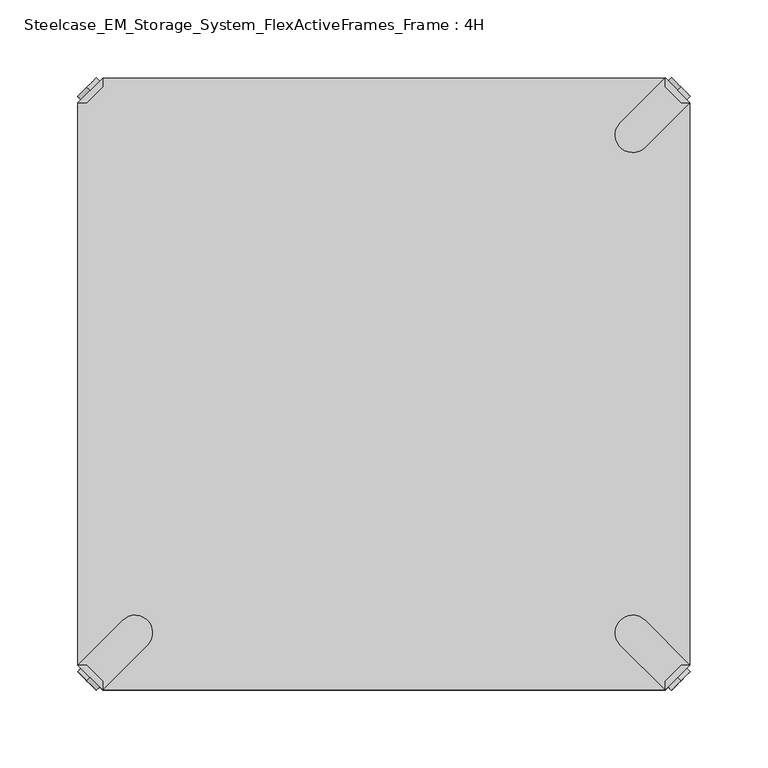
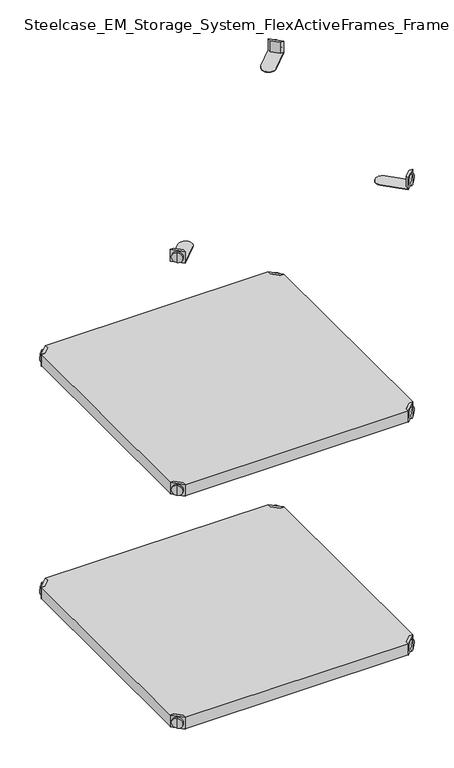
"""IFC4 building model written with IfcOpenShell, lengths in millimetres: furniture geometry, Steelcase_EM_Storage_System_FlexActiveFrames_Frame : 4H."""

from ifc_helpers import new_model, si_unit, frame, origin, place, context, project, spatial, polyline, circle_curve, outline, extrude, source, transform, mapped, element, save
from ifc_brep_helpers import plane_surface, cylinder_surface, advanced_brep


def steelcase_em_storage_system_flexactiveframes_frame_4h_7801c0e6(model_context):
    return source(origin(), model_context, "Body", "SolidModel", [
        advanced_brep(
        [(389.0398449, -10.9601551, 498.5), (389.0398449, -10.9601551, 507.0), (389.0398449, -10.9601551, 515.5), (391.1611652, -8.8388348, 498.5), (391.1611652, -8.8388348, 515.5), (391.1611652, -8.8388348, 507.0)],
        [
            (0, 1),
            (1, 2),
            (2, 0, circle_curve(frame((389.0398449, -10.9601551, 507.0), z_axis=(-0.7071067811865556, -0.7071067811865395, 0.0), x_axis=(0.0, 0.0, 1.0)), 8.5)),
            (0, 2, circle_curve(frame((389.0398449, -10.9601551, 507.0), z_axis=(-0.7071067811865556, -0.7071067811865395, 0.0), x_axis=(0.0, 0.0, 1.0)), 8.5)),
            (3, 0),
            (2, 4),
            (4, 3, circle_curve(frame((391.1611652, -8.8388348, 507.0), z_axis=(-0.7071067811865556, -0.7071067811865395, 0.0), x_axis=(0.0, 0.0, 1.0)), 8.5)),
            (3, 4, circle_curve(frame((391.1611652, -8.8388348, 507.0), z_axis=(-0.7071067811865556, -0.7071067811865395, 0.0), x_axis=(0.0, 0.0, 1.0)), 8.5)),
            (5, 3),
            (4, 5),
        ],
        [
            plane_surface(frame((389.0398449, -10.9601551, 507.0), z_axis=(-0.7071067811865552, -0.7071067811865399, 0.0), x_axis=(0.0, 0.0, 1.0))),
            cylinder_surface(frame((391.1611652, -8.8388348, 507.0), z_axis=(0.7071067811865556, 0.7071067811865395, 0.0), x_axis=(0.0, 0.0, 1.0)), 8.5),
            plane_surface(frame((391.1611652, -8.8388348, 507.0), z_axis=(0.7071067811865552, 0.7071067811865399, 0.0), x_axis=(0.0, 0.0, 1.0))),
        ],
        [
            (0, [[1, 2, 3]]),
            (0, [[-2, -1, 4]]),
            (1, [[5, -3, 6, 7]]),
            (1, [[-6, -4, -5, 8]]),
            (2, [[9, -7, 10]]),
            (2, [[-10, -8, -9]]),
        ],
    ),
        advanced_brep(
        [(381.0796898, -3.0, 517.0), (381.0796898, -8.6568542, 517.0), (391.3431458, -18.9203102, 517.0), (397.0, -18.9203102, 517.0), (397.0, -18.9203102, 498.0), (397.0, -18.9203102, 497.0), (381.0796898, -3.0, 497.0), (381.0796898, -3.0, 498.0), (381.0796898, -8.6568542, 498.0), (391.3431458, -18.9203102, 498.0), (352.2702923, -31.8093975, 498.0), (368.1906025, -47.7297077, 498.0), (368.1906025, -47.7297077, 497.0), (352.2702923, -31.8093975, 497.0)],
        [
            (0, 1),
            (1, 2),
            (2, 3),
            (3, 0),
            (3, 4),
            (4, 5),
            (5, 6),
            (6, 7),
            (7, 0),
            (1, 8),
            (8, 9),
            (9, 2),
            (7, 8),
            (9, 4),
            (7, 10),
            (10, 11, circle_curve(frame((360.2304474, -39.7695526, 498.0), z_axis=(0.0, 0.0, 1.0), x_axis=(-1.0, 0.0, 0.0)), 11.2573593)),
            (11, 4),
            (5, 12),
            (12, 13, circle_curve(frame((360.2304474, -39.7695526, 497.0), z_axis=(0.0, 0.0, -1.0), x_axis=(-1.0, 0.0, 0.0)), 11.2573593)),
            (13, 6),
            (11, 12),
            (10, 13),
        ],
        [
            plane_surface(frame((438.8756299, -60.7959401, 517.0), z_axis=(0.0, 0.0, 1.0000000000000002), x_axis=(0.7071067811865465, -0.7071067811865487, 0.0))),
            plane_surface(frame((381.0796898, -3.0, 517.0), z_axis=(0.7071067811865487, 0.7071067811865465, 0.0), x_axis=(0.0, 0.0, -1.0))),
            plane_surface(frame((391.3431458, -18.9203102, 517.0), z_axis=(-0.7071067811865573, -0.7071067811865377, 0.0), x_axis=(0.0, 0.0, -1.0))),
            plane_surface(frame((381.0796898, -8.6568542, 517.0), z_axis=(-1.0, 0.0, 0.0), x_axis=(0.0, 0.0, -1.0))),
            plane_surface(frame((397.0, -18.9203102, 517.0), z_axis=(0.0, -1.0, 0.0), x_axis=(0.0, 0.0, -1.0))),
            plane_surface(frame((397.0, -18.9203102, 498.0), z_axis=(0.0, 0.0, 1.0), x_axis=(0.7071067811865392, -0.7071067811865558, 0.0))),
            plane_surface(frame((397.0, -18.9203102, 497.0), z_axis=(0.0, 0.0, -1.0), x_axis=(-0.7071067811865392, 0.7071067811865558, 0.0))),
            plane_surface(frame((397.0, -18.9203102, 498.0), z_axis=(0.7071067811865399, -0.7071067811865552, 0.0), x_axis=(0.0, 0.0, -1.0))),
            cylinder_surface(frame((360.2304474, -39.7695526, 497.0), z_axis=(0.0, 0.0, 1.0), x_axis=(-1.0, 0.0, 0.0)), 11.2573593),
            plane_surface(frame((352.2702923, -31.8093975, 498.0), z_axis=(-0.7071067811865388, 0.7071067811865563, 0.0), x_axis=(0.0, 0.0, -1.0))),
        ],
        [
            (0, [[1, 2, 3, 4]]),
            (1, [[5, 6, 7, 8, 9, -4]]),
            (2, [[10, 11, 12, -2]]),
            (3, [[-9, 13, -10, -1]]),
            (4, [[-12, 14, -5, -3]]),
            (5, [[-14, -11, -13, 15, 16, 17]]),
            (6, [[-7, 18, 19, 20]]),
            (7, [[21, -18, -6, -17]]),
            (8, [[22, -19, -21, -16]]),
            (9, [[-8, -20, -22, -15]]),
        ],
    ),
        advanced_brep(
        [(389.0398449, -389.0398449, 498.5), (389.0398449, -389.0398449, 515.5), (389.0398449, -389.0398449, 507.0), (391.1611652, -391.1611652, 498.5), (391.1611652, -391.1611652, 515.5), (391.1611652, -391.1611652, 507.0)],
        [
            (0, 1, circle_curve(frame((389.0398449, -389.0398449, 507.0), z_axis=(-0.7071067811865509, 0.7071067811865441, 0.0), x_axis=(0.0, 0.0, 1.0)), 8.5)),
            (1, 2),
            (2, 0),
            (1, 0, circle_curve(frame((389.0398449, -389.0398449, 507.0), z_axis=(-0.7071067811865509, 0.7071067811865441, 0.0), x_axis=(0.0, 0.0, 1.0)), 8.5)),
            (3, 4, circle_curve(frame((391.1611652, -391.1611652, 507.0), z_axis=(-0.7071067811865509, 0.7071067811865441, 0.0), x_axis=(0.0, 0.0, 1.0)), 8.5)),
            (4, 1),
            (0, 3),
            (4, 3, circle_curve(frame((391.1611652, -391.1611652, 507.0), z_axis=(-0.7071067811865509, 0.7071067811865441, 0.0), x_axis=(0.0, 0.0, 1.0)), 8.5)),
            (5, 4),
            (3, 5),
        ],
        [
            plane_surface(frame((389.0398449, -389.0398449, 507.0), z_axis=(-0.7071067811865506, 0.7071067811865446, 0.0), x_axis=(0.0, 0.0, 1.0))),
            cylinder_surface(frame((391.1611652, -391.1611652, 507.0), z_axis=(0.7071067811865509, -0.7071067811865441, 0.0), x_axis=(0.0, 0.0, 1.0)), 8.5),
            plane_surface(frame((391.1611652, -391.1611652, 507.0), z_axis=(0.7071067811865506, -0.7071067811865446, 0.0), x_axis=(0.0, 0.0, 1.0))),
        ],
        [
            (0, [[1, 2, 3]]),
            (0, [[4, -3, -2]]),
            (1, [[5, 6, -1, 7]]),
            (1, [[8, -7, -4, -6]]),
            (2, [[9, -5, 10]]),
            (2, [[-10, -8, -9]]),
        ],
    ),
        advanced_brep(
        [(381.0796898, -397.0, 517.0), (397.0, -381.0796898, 517.0), (391.3431458, -381.0796898, 517.0), (381.0796898, -391.3431458, 517.0), (381.0796898, -397.0, 498.0), (381.0796898, -397.0, 497.0), (397.0, -381.0796898, 497.0), (397.0, -381.0796898, 498.0), (391.3431458, -381.0796898, 498.0), (381.0796898, -391.3431458, 498.0), (368.1906025, -352.2702923, 498.0), (352.2702923, -368.1906025, 498.0), (352.2702923, -368.1906025, 497.0), (368.1906025, -352.2702923, 497.0)],
        [
            (0, 1),
            (1, 2),
            (2, 3),
            (3, 0),
            (0, 4),
            (4, 5),
            (5, 6),
            (6, 7),
            (7, 1),
            (2, 8),
            (8, 9),
            (9, 3),
            (9, 4),
            (7, 8),
            (7, 10),
            (10, 11, circle_curve(frame((360.2304474, -360.2304474, 498.0), z_axis=(0.0, 0.0, 1.0), x_axis=(-1.0, 0.0, 0.0)), 11.2573593)),
            (11, 4),
            (5, 12),
            (12, 13, circle_curve(frame((360.2304474, -360.2304474, 497.0), z_axis=(0.0, 0.0, -1.0), x_axis=(-1.0, 0.0, 0.0)), 11.2573593)),
            (13, 6),
            (13, 10),
            (12, 11),
        ],
        [
            plane_surface(frame((438.8756299, -339.2040599, 517.0), z_axis=(0.0, 0.0, 1.0000000000000002), x_axis=(0.7071067811865511, 0.707106781186544, 0.0))),
            plane_surface(frame((381.0796898, -397.0, 517.0), z_axis=(0.707106781186544, -0.7071067811865511, 0.0), x_axis=(0.0, 0.0, -1.0))),
            plane_surface(frame((391.3431458, -381.0796898, 517.0), z_axis=(-0.7071067811865527, 0.7071067811865424, 0.0), x_axis=(0.0, 0.0, -1.0))),
            plane_surface(frame((381.0796898, -391.3431458, 517.0), z_axis=(-1.0, 0.0, 0.0), x_axis=(0.0, 0.0, -1.0))),
            plane_surface(frame((397.0, -381.0796898, 517.0), z_axis=(0.0, 1.0, 0.0), x_axis=(0.0, 0.0, -1.0))),
            plane_surface(frame((397.0, -381.0796898, 498.0), z_axis=(0.0, 0.0, 1.0), x_axis=(0.7071067811865439, 0.7071067811865511, 0.0))),
            plane_surface(frame((397.0, -381.0796898, 497.0), z_axis=(0.0, 0.0, -1.0), x_axis=(-0.7071067811865439, -0.7071067811865511, 0.0))),
            plane_surface(frame((397.0, -381.0796898, 498.0), z_axis=(0.7071067811865446, 0.7071067811865506, 0.0), x_axis=(0.0, 0.0, -1.0))),
            cylinder_surface(frame((360.2304474, -360.2304474, 497.0), z_axis=(0.0, 0.0, 1.0), x_axis=(-1.0, 0.0, 0.0)), 11.2573593),
            plane_surface(frame((352.2702923, -368.1906025, 498.0), z_axis=(-0.7071067811865435, -0.7071067811865517, 0.0), x_axis=(0.0, 0.0, -1.0))),
        ],
        [
            (0, [[1, 2, 3, 4]]),
            (1, [[-1, 5, 6, 7, 8, 9]]),
            (2, [[-3, 10, 11, 12]]),
            (3, [[-4, -12, 13, -5]]),
            (4, [[-2, -9, 14, -10]]),
            (5, [[15, 16, 17, -13, -11, -14]]),
            (6, [[18, 19, 20, -7]]),
            (7, [[-15, -8, -20, 21]]),
            (8, [[-16, -21, -19, 22]]),
            (9, [[-17, -22, -18, -6]]),
        ],
    ),
        advanced_brep(
        [(10.9601551, -389.0398449, 498.5), (10.9601551, -389.0398449, 507.0), (10.9601551, -389.0398449, 515.5), (8.8388348, -391.1611652, 498.5), (8.8388348, -391.1611652, 515.5), (8.8388348, -391.1611652, 507.0)],
        [
            (0, 1),
            (1, 2),
            (2, 0, circle_curve(frame((10.9601551, -389.0398449, 507.0), z_axis=(0.7071067811865509, 0.7071067811865441, 0.0), x_axis=(0.0, 0.0, 1.0)), 8.5)),
            (0, 2, circle_curve(frame((10.9601551, -389.0398449, 507.0), z_axis=(0.7071067811865509, 0.7071067811865441, 0.0), x_axis=(0.0, 0.0, 1.0)), 8.5)),
            (3, 0),
            (2, 4),
            (4, 3, circle_curve(frame((8.8388348, -391.1611652, 507.0), z_axis=(0.7071067811865509, 0.7071067811865441, 0.0), x_axis=(0.0, 0.0, 1.0)), 8.5)),
            (3, 4, circle_curve(frame((8.8388348, -391.1611652, 507.0), z_axis=(0.7071067811865509, 0.7071067811865441, 0.0), x_axis=(0.0, 0.0, 1.0)), 8.5)),
            (5, 3),
            (4, 5),
        ],
        [
            plane_surface(frame((10.9601551, -389.0398449, 507.0), z_axis=(0.7071067811865506, 0.7071067811865446, 0.0), x_axis=(0.0, 0.0, 1.0))),
            cylinder_surface(frame((8.8388348, -391.1611652, 507.0), z_axis=(-0.7071067811865509, -0.7071067811865441, 0.0), x_axis=(0.0, 0.0, 1.0)), 8.5),
            plane_surface(frame((8.8388348, -391.1611652, 507.0), z_axis=(-0.7071067811865506, -0.7071067811865446, 0.0), x_axis=(0.0, 0.0, 1.0))),
        ],
        [
            (0, [[1, 2, 3]]),
            (0, [[-2, -1, 4]]),
            (1, [[5, -3, 6, 7]]),
            (1, [[-6, -4, -5, 8]]),
            (2, [[9, -7, 10]]),
            (2, [[-10, -8, -9]]),
        ],
    ),
        advanced_brep(
        [(18.9203102, -397.0, 517.0), (18.9203102, -391.3431458, 517.0), (8.6568542, -381.0796898, 517.0), (3.0, -381.0796898, 517.0), (3.0, -381.0796898, 498.0), (3.0, -381.0796898, 497.0), (18.9203102, -397.0, 497.0), (18.9203102, -397.0, 498.0), (18.9203102, -391.3431458, 498.0), (8.6568542, -381.0796898, 498.0), (47.7297077, -368.1906025, 498.0), (31.8093975, -352.2702923, 498.0), (31.8093975, -352.2702923, 497.0), (47.7297077, -368.1906025, 497.0)],
        [
            (0, 1),
            (1, 2),
            (2, 3),
            (3, 0),
            (3, 4),
            (4, 5),
            (5, 6),
            (6, 7),
            (7, 0),
            (1, 8),
            (8, 9),
            (9, 2),
            (7, 8),
            (9, 4),
            (7, 10),
            (10, 11, circle_curve(frame((39.7695526, -360.2304474, 498.0), z_axis=(0.0, 0.0, 1.0), x_axis=(1.0, 0.0, 0.0)), 11.2573593)),
            (11, 4),
            (5, 12),
            (12, 13, circle_curve(frame((39.7695526, -360.2304474, 497.0), z_axis=(0.0, 0.0, -1.0), x_axis=(1.0, 0.0, 0.0)), 11.2573593)),
            (13, 6),
            (11, 12),
            (10, 13),
        ],
        [
            plane_surface(frame((-38.8756299, -339.2040599, 517.0), z_axis=(0.0, 0.0, 1.0000000000000002), x_axis=(-0.7071067811865511, 0.707106781186544, 0.0))),
            plane_surface(frame((18.9203102, -397.0, 517.0), z_axis=(-0.707106781186544, -0.7071067811865511, 0.0), x_axis=(0.0, 0.0, -1.0))),
            plane_surface(frame((8.6568542, -381.0796898, 517.0), z_axis=(0.7071067811865527, 0.7071067811865424, 0.0), x_axis=(0.0, 0.0, -1.0))),
            plane_surface(frame((18.9203102, -391.3431458, 517.0), z_axis=(1.0, 0.0, 0.0), x_axis=(0.0, 0.0, -1.0))),
            plane_surface(frame((3.0, -381.0796898, 517.0), z_axis=(0.0, 1.0, 0.0), x_axis=(0.0, 0.0, -1.0))),
            plane_surface(frame((3.0, -381.0796898, 498.0), z_axis=(0.0, 0.0, 1.0), x_axis=(-0.7071067811865439, 0.7071067811865511, 0.0))),
            plane_surface(frame((3.0, -381.0796898, 497.0), z_axis=(0.0, 0.0, -1.0), x_axis=(0.7071067811865439, -0.7071067811865511, 0.0))),
            plane_surface(frame((3.0, -381.0796898, 498.0), z_axis=(-0.7071067811865446, 0.7071067811865506, 0.0), x_axis=(0.0, 0.0, -1.0))),
            cylinder_surface(frame((39.7695526, -360.2304474, 497.0), z_axis=(0.0, 0.0, 1.0), x_axis=(1.0, 0.0, 0.0)), 11.2573593),
            plane_surface(frame((47.7297077, -368.1906025, 498.0), z_axis=(0.7071067811865435, -0.7071067811865517, 0.0), x_axis=(0.0, 0.0, -1.0))),
        ],
        [
            (0, [[1, 2, 3, 4]]),
            (1, [[5, 6, 7, 8, 9, -4]]),
            (2, [[10, 11, 12, -2]]),
            (3, [[-9, 13, -10, -1]]),
            (4, [[-12, 14, -5, -3]]),
            (5, [[-14, -11, -13, 15, 16, 17]]),
            (6, [[-7, 18, 19, 20]]),
            (7, [[21, -18, -6, -17]]),
            (8, [[22, -19, -21, -16]]),
            (9, [[-8, -20, -22, -15]]),
        ],
    ),
        advanced_brep(
        [(10.9601551, -10.9601551, 498.5), (10.9601551, -10.9601551, 515.5), (10.9601551, -10.9601551, 507.0), (8.8388348, -8.8388348, 498.5), (8.8388348, -8.8388348, 515.5), (8.8388348, -8.8388348, 507.0)],
        [
            (0, 1, circle_curve(frame((10.9601551, -10.9601551, 507.0), z_axis=(0.7071067811865464, -0.7071067811865487, 0.0), x_axis=(0.0, 0.0, 1.0)), 8.5)),
            (1, 2),
            (2, 0),
            (1, 0, circle_curve(frame((10.9601551, -10.9601551, 507.0), z_axis=(0.7071067811865464, -0.7071067811865487, 0.0), x_axis=(0.0, 0.0, 1.0)), 8.5)),
            (3, 4, circle_curve(frame((8.8388348, -8.8388348, 507.0), z_axis=(0.7071067811865464, -0.7071067811865487, 0.0), x_axis=(0.0, 0.0, 1.0)), 8.5)),
            (4, 1),
            (0, 3),
            (4, 3, circle_curve(frame((8.8388348, -8.8388348, 507.0), z_axis=(0.7071067811865464, -0.7071067811865487, 0.0), x_axis=(0.0, 0.0, 1.0)), 8.5)),
            (5, 4),
            (3, 5),
        ],
        [
            plane_surface(frame((10.9601551, -10.9601551, 507.0), z_axis=(0.707106781186546, -0.7071067811865491, 0.0), x_axis=(0.0, 0.0, 1.0))),
            cylinder_surface(frame((8.8388348, -8.8388348, 507.0), z_axis=(-0.7071067811865464, 0.7071067811865487, 0.0), x_axis=(0.0, 0.0, 1.0)), 8.5),
            plane_surface(frame((8.8388348, -8.8388348, 507.0), z_axis=(-0.707106781186546, 0.7071067811865491, 0.0), x_axis=(0.0, 0.0, 1.0))),
        ],
        [
            (0, [[1, 2, 3]]),
            (0, [[4, -3, -2]]),
            (1, [[5, 6, -1, 7]]),
            (1, [[8, -7, -4, -6]]),
            (2, [[9, -5, 10]]),
            (2, [[-10, -8, -9]]),
        ],
    ),
        advanced_brep(
        [(18.9203102, -3.0, 517.0), (3.0, -18.9203102, 517.0), (8.6568542, -18.9203102, 517.0), (18.9203102, -8.6568542, 517.0), (18.9203102, -3.0, 498.0), (18.9203102, -3.0, 497.0), (3.0, -18.9203102, 497.0), (3.0, -18.9203102, 498.0), (8.6568542, -18.9203102, 498.0), (18.9203102, -8.6568542, 498.0), (31.8093975, -47.7297077, 498.0), (47.7297077, -31.8093975, 498.0), (47.7297077, -31.8093975, 497.0), (31.8093975, -47.7297077, 497.0)],
        [
            (0, 1),
            (1, 2),
            (2, 3),
            (3, 0),
            (0, 4),
            (4, 5),
            (5, 6),
            (6, 7),
            (7, 1),
            (2, 8),
            (8, 9),
            (9, 3),
            (9, 4),
            (7, 8),
            (7, 10),
            (10, 11, circle_curve(frame((39.7695526, -39.7695526, 498.0), z_axis=(0.0, 0.0, 1.0), x_axis=(1.0, 0.0, 0.0)), 11.2573593)),
            (11, 4),
            (5, 12),
            (12, 13, circle_curve(frame((39.7695526, -39.7695526, 497.0), z_axis=(0.0, 0.0, -1.0), x_axis=(1.0, 0.0, 0.0)), 11.2573593)),
            (13, 6),
            (13, 10),
            (12, 11),
        ],
        [
            plane_surface(frame((-38.8756299, -60.7959401, 517.0), z_axis=(0.0, 0.0, 1.0000000000000002), x_axis=(-0.7071067811865557, -0.7071067811865395, 0.0))),
            plane_surface(frame((18.9203102, -3.0, 517.0), z_axis=(-0.7071067811865395, 0.7071067811865557, 0.0), x_axis=(0.0, 0.0, -1.0))),
            plane_surface(frame((8.6568542, -18.9203102, 517.0), z_axis=(0.7071067811865481, -0.7071067811865469, 0.0), x_axis=(0.0, 0.0, -1.0))),
            plane_surface(frame((18.9203102, -8.6568542, 517.0), z_axis=(1.0, 0.0, 0.0), x_axis=(0.0, 0.0, -1.0))),
            plane_surface(frame((3.0, -18.9203102, 517.0), z_axis=(0.0, -1.0, 0.0), x_axis=(0.0, 0.0, -1.0))),
            plane_surface(frame((3.0, -18.9203102, 498.0), z_axis=(0.0, 0.0, 1.0), x_axis=(-0.7071067811865485, -0.7071067811865466, 0.0))),
            plane_surface(frame((3.0, -18.9203102, 497.0), z_axis=(0.0, 0.0, -1.0), x_axis=(0.7071067811865485, 0.7071067811865466, 0.0))),
            plane_surface(frame((3.0, -18.9203102, 498.0), z_axis=(-0.7071067811865491, -0.707106781186546, 0.0), x_axis=(0.0, 0.0, -1.0))),
            cylinder_surface(frame((39.7695526, -39.7695526, 497.0), z_axis=(0.0, 0.0, 1.0), x_axis=(1.0, 0.0, 0.0)), 11.2573593),
            plane_surface(frame((47.7297077, -31.8093975, 498.0), z_axis=(0.707106781186548, 0.7071067811865471, 0.0), x_axis=(0.0, 0.0, -1.0))),
        ],
        [
            (0, [[1, 2, 3, 4]]),
            (1, [[-1, 5, 6, 7, 8, 9]]),
            (2, [[-3, 10, 11, 12]]),
            (3, [[-4, -12, 13, -5]]),
            (4, [[-2, -9, 14, -10]]),
            (5, [[15, 16, 17, -13, -11, -14]]),
            (6, [[18, 19, 20, -7]]),
            (7, [[-15, -8, -20, 21]]),
            (8, [[-16, -21, -19, 22]]),
            (9, [[-17, -22, -18, -6]]),
        ],
    ),
        extrude(outline(polyline([(381.0796898, -3.0), (381.0796898, -8.6568542), (391.3431458, -18.9203102), (397.0, -18.9203102), (397.0, -381.0796898), (391.3431458, -381.0796898), (381.0796898, -391.3431458), (381.0796898, -397.0), (18.9203102, -397.0), (18.9203102, -391.3431458), (8.6568542, -381.0796898), (3.0, -381.0796898), (3.0, -18.9203102), (8.6568542, -18.9203102), (18.9203102, -8.6568542), (18.9203102, -3.0), (381.0796898, -3.0)])), frame((0.0, 0.0, 498.0), z_axis=(0.0, 0.0, 1.0), x_axis=(1.0, 0.0, 0.0)), (0.0, 0.0, 1.0), 19.0),
        advanced_brep(
        [(389.0398449, -10.9601551, 898.5), (389.0398449, -10.9601551, 907.0), (389.0398449, -10.9601551, 915.5), (391.1611652, -8.8388348, 898.5), (391.1611652, -8.8388348, 915.5), (391.1611652, -8.8388348, 907.0)],
        [
            (0, 1),
            (1, 2),
            (2, 0, circle_curve(frame((389.0398449, -10.9601551, 907.0), z_axis=(-0.7071067811865556, -0.7071067811865395, 0.0), x_axis=(0.0, 0.0, 1.0)), 8.5)),
            (0, 2, circle_curve(frame((389.0398449, -10.9601551, 907.0), z_axis=(-0.7071067811865556, -0.7071067811865395, 0.0), x_axis=(0.0, 0.0, 1.0)), 8.5)),
            (3, 0),
            (2, 4),
            (4, 3, circle_curve(frame((391.1611652, -8.8388348, 907.0), z_axis=(-0.7071067811865556, -0.7071067811865395, 0.0), x_axis=(0.0, 0.0, 1.0)), 8.5)),
            (3, 4, circle_curve(frame((391.1611652, -8.8388348, 907.0), z_axis=(-0.7071067811865556, -0.7071067811865395, 0.0), x_axis=(0.0, 0.0, 1.0)), 8.5)),
            (5, 3),
            (4, 5),
        ],
        [
            plane_surface(frame((389.0398449, -10.9601551, 907.0), z_axis=(-0.7071067811865552, -0.7071067811865399, 0.0), x_axis=(0.0, 0.0, 1.0))),
            cylinder_surface(frame((391.1611652, -8.8388348, 907.0), z_axis=(0.7071067811865556, 0.7071067811865395, 0.0), x_axis=(0.0, 0.0, 1.0)), 8.5),
            plane_surface(frame((391.1611652, -8.8388348, 907.0), z_axis=(0.7071067811865552, 0.7071067811865399, 0.0), x_axis=(0.0, 0.0, 1.0))),
        ],
        [
            (0, [[1, 2, 3]]),
            (0, [[-2, -1, 4]]),
            (1, [[5, -3, 6, 7]]),
            (1, [[-6, -4, -5, 8]]),
            (2, [[9, -7, 10]]),
            (2, [[-10, -8, -9]]),
        ],
    ),
        advanced_brep(
        [(381.0796898, -3.0, 917.0), (381.0796898, -8.6568542, 917.0), (391.3431458, -18.9203102, 917.0), (397.0, -18.9203102, 917.0), (397.0, -18.9203102, 898.0), (397.0, -18.9203102, 897.0), (381.0796898, -3.0, 897.0), (381.0796898, -3.0, 898.0), (381.0796898, -8.6568542, 898.0), (391.3431458, -18.9203102, 898.0), (352.2702923, -31.8093975, 898.0), (368.1906025, -47.7297077, 898.0), (368.1906025, -47.7297077, 897.0), (352.2702923, -31.8093975, 897.0)],
        [
            (0, 1),
            (1, 2),
            (2, 3),
            (3, 0),
            (3, 4),
            (4, 5),
            (5, 6),
            (6, 7),
            (7, 0),
            (1, 8),
            (8, 9),
            (9, 2),
            (7, 8),
            (9, 4),
            (7, 10),
            (10, 11, circle_curve(frame((360.2304474, -39.7695526, 898.0), z_axis=(0.0, 0.0, 1.0), x_axis=(-1.0, 0.0, 0.0)), 11.2573593)),
            (11, 4),
            (5, 12),
            (12, 13, circle_curve(frame((360.2304474, -39.7695526, 897.0), z_axis=(0.0, 0.0, -1.0), x_axis=(-1.0, 0.0, 0.0)), 11.2573593)),
            (13, 6),
            (11, 12),
            (10, 13),
        ],
        [
            plane_surface(frame((438.8756299, -60.7959401, 917.0), z_axis=(0.0, 0.0, 1.0000000000000002), x_axis=(0.7071067811865465, -0.7071067811865487, 0.0))),
            plane_surface(frame((381.0796898, -3.0, 917.0), z_axis=(0.7071067811865487, 0.7071067811865465, 0.0), x_axis=(0.0, 0.0, -1.0))),
            plane_surface(frame((391.3431458, -18.9203102, 917.0), z_axis=(-0.7071067811865573, -0.7071067811865377, 0.0), x_axis=(0.0, 0.0, -1.0))),
            plane_surface(frame((381.0796898, -8.6568542, 917.0), z_axis=(-1.0, 0.0, 0.0), x_axis=(0.0, 0.0, -1.0))),
            plane_surface(frame((397.0, -18.9203102, 917.0), z_axis=(0.0, -1.0, 0.0), x_axis=(0.0, 0.0, -1.0))),
            plane_surface(frame((397.0, -18.9203102, 898.0), z_axis=(0.0, 0.0, 1.0), x_axis=(0.7071067811865392, -0.7071067811865558, 0.0))),
            plane_surface(frame((397.0, -18.9203102, 897.0), z_axis=(0.0, 0.0, -1.0), x_axis=(-0.7071067811865392, 0.7071067811865558, 0.0))),
            plane_surface(frame((397.0, -18.9203102, 898.0), z_axis=(0.7071067811865399, -0.7071067811865552, 0.0), x_axis=(0.0, 0.0, -1.0))),
            cylinder_surface(frame((360.2304474, -39.7695526, 897.0), z_axis=(0.0, 0.0, 1.0), x_axis=(-1.0, 0.0, 0.0)), 11.2573593),
            plane_surface(frame((352.2702923, -31.8093975, 898.0), z_axis=(-0.7071067811865388, 0.7071067811865563, 0.0), x_axis=(0.0, 0.0, -1.0))),
        ],
        [
            (0, [[1, 2, 3, 4]]),
            (1, [[5, 6, 7, 8, 9, -4]]),
            (2, [[10, 11, 12, -2]]),
            (3, [[-9, 13, -10, -1]]),
            (4, [[-12, 14, -5, -3]]),
            (5, [[-14, -11, -13, 15, 16, 17]]),
            (6, [[-7, 18, 19, 20]]),
            (7, [[21, -18, -6, -17]]),
            (8, [[22, -19, -21, -16]]),
            (9, [[-8, -20, -22, -15]]),
        ],
    ),
        advanced_brep(
        [(389.0398449, -389.0398449, 898.5), (389.0398449, -389.0398449, 915.5), (389.0398449, -389.0398449, 907.0), (391.1611652, -391.1611652, 898.5), (391.1611652, -391.1611652, 915.5), (391.1611652, -391.1611652, 907.0)],
        [
            (0, 1, circle_curve(frame((389.0398449, -389.0398449, 907.0), z_axis=(-0.7071067811865509, 0.7071067811865441, 0.0), x_axis=(0.0, 0.0, 1.0)), 8.5)),
            (1, 2),
            (2, 0),
            (1, 0, circle_curve(frame((389.0398449, -389.0398449, 907.0), z_axis=(-0.7071067811865509, 0.7071067811865441, 0.0), x_axis=(0.0, 0.0, 1.0)), 8.5)),
            (3, 4, circle_curve(frame((391.1611652, -391.1611652, 907.0), z_axis=(-0.7071067811865509, 0.7071067811865441, 0.0), x_axis=(0.0, 0.0, 1.0)), 8.5)),
            (4, 1),
            (0, 3),
            (4, 3, circle_curve(frame((391.1611652, -391.1611652, 907.0), z_axis=(-0.7071067811865509, 0.7071067811865441, 0.0), x_axis=(0.0, 0.0, 1.0)), 8.5)),
            (5, 4),
            (3, 5),
        ],
        [
            plane_surface(frame((389.0398449, -389.0398449, 907.0), z_axis=(-0.7071067811865506, 0.7071067811865446, 0.0), x_axis=(0.0, 0.0, 1.0))),
            cylinder_surface(frame((391.1611652, -391.1611652, 907.0), z_axis=(0.7071067811865509, -0.7071067811865441, 0.0), x_axis=(0.0, 0.0, 1.0)), 8.5),
            plane_surface(frame((391.1611652, -391.1611652, 907.0), z_axis=(0.7071067811865506, -0.7071067811865446, 0.0), x_axis=(0.0, 0.0, 1.0))),
        ],
        [
            (0, [[1, 2, 3]]),
            (0, [[4, -3, -2]]),
            (1, [[5, 6, -1, 7]]),
            (1, [[8, -7, -4, -6]]),
            (2, [[9, -5, 10]]),
            (2, [[-10, -8, -9]]),
        ],
    ),
        advanced_brep(
        [(381.0796898, -397.0, 917.0), (397.0, -381.0796898, 917.0), (391.3431458, -381.0796898, 917.0), (381.0796898, -391.3431458, 917.0), (381.0796898, -397.0, 898.0), (381.0796898, -397.0, 897.0), (397.0, -381.0796898, 897.0), (397.0, -381.0796898, 898.0), (391.3431458, -381.0796898, 898.0), (381.0796898, -391.3431458, 898.0), (368.1906025, -352.2702923, 898.0), (352.2702923, -368.1906025, 898.0), (352.2702923, -368.1906025, 897.0), (368.1906025, -352.2702923, 897.0)],
        [
            (0, 1),
            (1, 2),
            (2, 3),
            (3, 0),
            (0, 4),
            (4, 5),
            (5, 6),
            (6, 7),
            (7, 1),
            (2, 8),
            (8, 9),
            (9, 3),
            (9, 4),
            (7, 8),
            (7, 10),
            (10, 11, circle_curve(frame((360.2304474, -360.2304474, 898.0), z_axis=(0.0, 0.0, 1.0), x_axis=(-1.0, 0.0, 0.0)), 11.2573593)),
            (11, 4),
            (5, 12),
            (12, 13, circle_curve(frame((360.2304474, -360.2304474, 897.0), z_axis=(0.0, 0.0, -1.0), x_axis=(-1.0, 0.0, 0.0)), 11.2573593)),
            (13, 6),
            (13, 10),
            (12, 11),
        ],
        [
            plane_surface(frame((438.8756299, -339.2040599, 917.0), z_axis=(0.0, 0.0, 1.0000000000000002), x_axis=(0.7071067811865511, 0.707106781186544, 0.0))),
            plane_surface(frame((381.0796898, -397.0, 917.0), z_axis=(0.707106781186544, -0.7071067811865511, 0.0), x_axis=(0.0, 0.0, -1.0))),
            plane_surface(frame((391.3431458, -381.0796898, 917.0), z_axis=(-0.7071067811865527, 0.7071067811865424, 0.0), x_axis=(0.0, 0.0, -1.0))),
            plane_surface(frame((381.0796898, -391.3431458, 917.0), z_axis=(-1.0, 0.0, 0.0), x_axis=(0.0, 0.0, -1.0))),
            plane_surface(frame((397.0, -381.0796898, 917.0), z_axis=(0.0, 1.0, 0.0), x_axis=(0.0, 0.0, -1.0))),
            plane_surface(frame((397.0, -381.0796898, 898.0), z_axis=(0.0, 0.0, 1.0), x_axis=(0.7071067811865439, 0.7071067811865511, 0.0))),
            plane_surface(frame((397.0, -381.0796898, 897.0), z_axis=(0.0, 0.0, -1.0), x_axis=(-0.7071067811865439, -0.7071067811865511, 0.0))),
            plane_surface(frame((397.0, -381.0796898, 898.0), z_axis=(0.7071067811865446, 0.7071067811865506, 0.0), x_axis=(0.0, 0.0, -1.0))),
            cylinder_surface(frame((360.2304474, -360.2304474, 897.0), z_axis=(0.0, 0.0, 1.0), x_axis=(-1.0, 0.0, 0.0)), 11.2573593),
            plane_surface(frame((352.2702923, -368.1906025, 898.0), z_axis=(-0.7071067811865435, -0.7071067811865517, 0.0), x_axis=(0.0, 0.0, -1.0))),
        ],
        [
            (0, [[1, 2, 3, 4]]),
            (1, [[-1, 5, 6, 7, 8, 9]]),
            (2, [[-3, 10, 11, 12]]),
            (3, [[-4, -12, 13, -5]]),
            (4, [[-2, -9, 14, -10]]),
            (5, [[15, 16, 17, -13, -11, -14]]),
            (6, [[18, 19, 20, -7]]),
            (7, [[-15, -8, -20, 21]]),
            (8, [[-16, -21, -19, 22]]),
            (9, [[-17, -22, -18, -6]]),
        ],
    ),
        advanced_brep(
        [(10.9601551, -389.0398449, 898.5), (10.9601551, -389.0398449, 907.0), (10.9601551, -389.0398449, 915.5), (8.8388348, -391.1611652, 898.5), (8.8388348, -391.1611652, 915.5), (8.8388348, -391.1611652, 907.0)],
        [
            (0, 1),
            (1, 2),
            (2, 0, circle_curve(frame((10.9601551, -389.0398449, 907.0), z_axis=(0.7071067811865509, 0.7071067811865441, 0.0), x_axis=(0.0, 0.0, 1.0)), 8.5)),
            (0, 2, circle_curve(frame((10.9601551, -389.0398449, 907.0), z_axis=(0.7071067811865509, 0.7071067811865441, 0.0), x_axis=(0.0, 0.0, 1.0)), 8.5)),
            (3, 0),
            (2, 4),
            (4, 3, circle_curve(frame((8.8388348, -391.1611652, 907.0), z_axis=(0.7071067811865509, 0.7071067811865441, 0.0), x_axis=(0.0, 0.0, 1.0)), 8.5)),
            (3, 4, circle_curve(frame((8.8388348, -391.1611652, 907.0), z_axis=(0.7071067811865509, 0.7071067811865441, 0.0), x_axis=(0.0, 0.0, 1.0)), 8.5)),
            (5, 3),
            (4, 5),
        ],
        [
            plane_surface(frame((10.9601551, -389.0398449, 907.0), z_axis=(0.7071067811865506, 0.7071067811865446, 0.0), x_axis=(0.0, 0.0, 1.0))),
            cylinder_surface(frame((8.8388348, -391.1611652, 907.0), z_axis=(-0.7071067811865509, -0.7071067811865441, 0.0), x_axis=(0.0, 0.0, 1.0)), 8.5),
            plane_surface(frame((8.8388348, -391.1611652, 907.0), z_axis=(-0.7071067811865506, -0.7071067811865446, 0.0), x_axis=(0.0, 0.0, 1.0))),
        ],
        [
            (0, [[1, 2, 3]]),
            (0, [[-2, -1, 4]]),
            (1, [[5, -3, 6, 7]]),
            (1, [[-6, -4, -5, 8]]),
            (2, [[9, -7, 10]]),
            (2, [[-10, -8, -9]]),
        ],
    ),
        advanced_brep(
        [(18.9203102, -397.0, 917.0), (18.9203102, -391.3431458, 917.0), (8.6568542, -381.0796898, 917.0), (3.0, -381.0796898, 917.0), (3.0, -381.0796898, 898.0), (3.0, -381.0796898, 897.0), (18.9203102, -397.0, 897.0), (18.9203102, -397.0, 898.0), (18.9203102, -391.3431458, 898.0), (8.6568542, -381.0796898, 898.0), (47.7297077, -368.1906025, 898.0), (31.8093975, -352.2702923, 898.0), (31.8093975, -352.2702923, 897.0), (47.7297077, -368.1906025, 897.0)],
        [
            (0, 1),
            (1, 2),
            (2, 3),
            (3, 0),
            (3, 4),
            (4, 5),
            (5, 6),
            (6, 7),
            (7, 0),
            (1, 8),
            (8, 9),
            (9, 2),
            (7, 8),
            (9, 4),
            (7, 10),
            (10, 11, circle_curve(frame((39.7695526, -360.2304474, 898.0), z_axis=(0.0, 0.0, 1.0), x_axis=(1.0, 0.0, 0.0)), 11.2573593)),
            (11, 4),
            (5, 12),
            (12, 13, circle_curve(frame((39.7695526, -360.2304474, 897.0), z_axis=(0.0, 0.0, -1.0), x_axis=(1.0, 0.0, 0.0)), 11.2573593)),
            (13, 6),
            (11, 12),
            (10, 13),
        ],
        [
            plane_surface(frame((-38.8756299, -339.2040599, 917.0), z_axis=(0.0, 0.0, 1.0000000000000002), x_axis=(-0.7071067811865511, 0.707106781186544, 0.0))),
            plane_surface(frame((18.9203102, -397.0, 917.0), z_axis=(-0.707106781186544, -0.7071067811865511, 0.0), x_axis=(0.0, 0.0, -1.0))),
            plane_surface(frame((8.6568542, -381.0796898, 917.0), z_axis=(0.7071067811865527, 0.7071067811865424, 0.0), x_axis=(0.0, 0.0, -1.0))),
            plane_surface(frame((18.9203102, -391.3431458, 917.0), z_axis=(1.0, 0.0, 0.0), x_axis=(0.0, 0.0, -1.0))),
            plane_surface(frame((3.0, -381.0796898, 917.0), z_axis=(0.0, 1.0, 0.0), x_axis=(0.0, 0.0, -1.0))),
            plane_surface(frame((3.0, -381.0796898, 898.0), z_axis=(0.0, 0.0, 1.0), x_axis=(-0.7071067811865439, 0.7071067811865511, 0.0))),
            plane_surface(frame((3.0, -381.0796898, 897.0), z_axis=(0.0, 0.0, -1.0), x_axis=(0.7071067811865439, -0.7071067811865511, 0.0))),
            plane_surface(frame((3.0, -381.0796898, 898.0), z_axis=(-0.7071067811865446, 0.7071067811865506, 0.0), x_axis=(0.0, 0.0, -1.0))),
            cylinder_surface(frame((39.7695526, -360.2304474, 897.0), z_axis=(0.0, 0.0, 1.0), x_axis=(1.0, 0.0, 0.0)), 11.2573593),
            plane_surface(frame((47.7297077, -368.1906025, 898.0), z_axis=(0.7071067811865435, -0.7071067811865517, 0.0), x_axis=(0.0, 0.0, -1.0))),
        ],
        [
            (0, [[1, 2, 3, 4]]),
            (1, [[5, 6, 7, 8, 9, -4]]),
            (2, [[10, 11, 12, -2]]),
            (3, [[-9, 13, -10, -1]]),
            (4, [[-12, 14, -5, -3]]),
            (5, [[-14, -11, -13, 15, 16, 17]]),
            (6, [[-7, 18, 19, 20]]),
            (7, [[21, -18, -6, -17]]),
            (8, [[22, -19, -21, -16]]),
            (9, [[-8, -20, -22, -15]]),
        ],
    ),
        advanced_brep(
        [(10.9601551, -10.9601551, 898.5), (10.9601551, -10.9601551, 915.5), (10.9601551, -10.9601551, 907.0), (8.8388348, -8.8388348, 898.5), (8.8388348, -8.8388348, 915.5), (8.8388348, -8.8388348, 907.0)],
        [
            (0, 1, circle_curve(frame((10.9601551, -10.9601551, 907.0), z_axis=(0.7071067811865464, -0.7071067811865487, 0.0), x_axis=(0.0, 0.0, 1.0)), 8.5)),
            (1, 2),
            (2, 0),
            (1, 0, circle_curve(frame((10.9601551, -10.9601551, 907.0), z_axis=(0.7071067811865464, -0.7071067811865487, 0.0), x_axis=(0.0, 0.0, 1.0)), 8.5)),
            (3, 4, circle_curve(frame((8.8388348, -8.8388348, 907.0), z_axis=(0.7071067811865464, -0.7071067811865487, 0.0), x_axis=(0.0, 0.0, 1.0)), 8.5)),
            (4, 1),
            (0, 3),
            (4, 3, circle_curve(frame((8.8388348, -8.8388348, 907.0), z_axis=(0.7071067811865464, -0.7071067811865487, 0.0), x_axis=(0.0, 0.0, 1.0)), 8.5)),
            (5, 4),
            (3, 5),
        ],
        [
            plane_surface(frame((10.9601551, -10.9601551, 907.0), z_axis=(0.707106781186546, -0.7071067811865491, 0.0), x_axis=(0.0, 0.0, 1.0))),
            cylinder_surface(frame((8.8388348, -8.8388348, 907.0), z_axis=(-0.7071067811865464, 0.7071067811865487, 0.0), x_axis=(0.0, 0.0, 1.0)), 8.5),
            plane_surface(frame((8.8388348, -8.8388348, 907.0), z_axis=(-0.707106781186546, 0.7071067811865491, 0.0), x_axis=(0.0, 0.0, 1.0))),
        ],
        [
            (0, [[1, 2, 3]]),
            (0, [[4, -3, -2]]),
            (1, [[5, 6, -1, 7]]),
            (1, [[8, -7, -4, -6]]),
            (2, [[9, -5, 10]]),
            (2, [[-10, -8, -9]]),
        ],
    ),
        advanced_brep(
        [(18.9203102, -3.0, 917.0), (3.0, -18.9203102, 917.0), (8.6568542, -18.9203102, 917.0), (18.9203102, -8.6568542, 917.0), (18.9203102, -3.0, 898.0), (18.9203102, -3.0, 897.0), (3.0, -18.9203102, 897.0), (3.0, -18.9203102, 898.0), (8.6568542, -18.9203102, 898.0), (18.9203102, -8.6568542, 898.0), (31.8093975, -47.7297077, 898.0), (47.7297077, -31.8093975, 898.0), (47.7297077, -31.8093975, 897.0), (31.8093975, -47.7297077, 897.0)],
        [
            (0, 1),
            (1, 2),
            (2, 3),
            (3, 0),
            (0, 4),
            (4, 5),
            (5, 6),
            (6, 7),
            (7, 1),
            (2, 8),
            (8, 9),
            (9, 3),
            (9, 4),
            (7, 8),
            (7, 10),
            (10, 11, circle_curve(frame((39.7695526, -39.7695526, 898.0), z_axis=(0.0, 0.0, 1.0), x_axis=(1.0, 0.0, 0.0)), 11.2573593)),
            (11, 4),
            (5, 12),
            (12, 13, circle_curve(frame((39.7695526, -39.7695526, 897.0), z_axis=(0.0, 0.0, -1.0), x_axis=(1.0, 0.0, 0.0)), 11.2573593)),
            (13, 6),
            (13, 10),
            (12, 11),
        ],
        [
            plane_surface(frame((-38.8756299, -60.7959401, 917.0), z_axis=(0.0, 0.0, 1.0000000000000002), x_axis=(-0.7071067811865557, -0.7071067811865395, 0.0))),
            plane_surface(frame((18.9203102, -3.0, 917.0), z_axis=(-0.7071067811865395, 0.7071067811865557, 0.0), x_axis=(0.0, 0.0, -1.0))),
            plane_surface(frame((8.6568542, -18.9203102, 917.0), z_axis=(0.7071067811865481, -0.7071067811865469, 0.0), x_axis=(0.0, 0.0, -1.0))),
            plane_surface(frame((18.9203102, -8.6568542, 917.0), z_axis=(1.0, 0.0, 0.0), x_axis=(0.0, 0.0, -1.0))),
            plane_surface(frame((3.0, -18.9203102, 917.0), z_axis=(0.0, -1.0, 0.0), x_axis=(0.0, 0.0, -1.0))),
            plane_surface(frame((3.0, -18.9203102, 898.0), z_axis=(0.0, 0.0, 1.0), x_axis=(-0.7071067811865485, -0.7071067811865466, 0.0))),
            plane_surface(frame((3.0, -18.9203102, 897.0), z_axis=(0.0, 0.0, -1.0), x_axis=(0.7071067811865485, 0.7071067811865466, 0.0))),
            plane_surface(frame((3.0, -18.9203102, 898.0), z_axis=(-0.7071067811865491, -0.707106781186546, 0.0), x_axis=(0.0, 0.0, -1.0))),
            cylinder_surface(frame((39.7695526, -39.7695526, 897.0), z_axis=(0.0, 0.0, 1.0), x_axis=(1.0, 0.0, 0.0)), 11.2573593),
            plane_surface(frame((47.7297077, -31.8093975, 898.0), z_axis=(0.707106781186548, 0.7071067811865471, 0.0), x_axis=(0.0, 0.0, -1.0))),
        ],
        [
            (0, [[1, 2, 3, 4]]),
            (1, [[-1, 5, 6, 7, 8, 9]]),
            (2, [[-3, 10, 11, 12]]),
            (3, [[-4, -12, 13, -5]]),
            (4, [[-2, -9, 14, -10]]),
            (5, [[15, 16, 17, -13, -11, -14]]),
            (6, [[18, 19, 20, -7]]),
            (7, [[-15, -8, -20, 21]]),
            (8, [[-16, -21, -19, 22]]),
            (9, [[-17, -22, -18, -6]]),
        ],
    ),
        extrude(outline(polyline([(381.0796898, -3.0), (381.0796898, -8.6568542), (391.3431458, -18.9203102), (397.0, -18.9203102), (397.0, -381.0796898), (391.3431458, -381.0796898), (381.0796898, -391.3431458), (381.0796898, -397.0), (18.9203102, -397.0), (18.9203102, -391.3431458), (8.6568542, -381.0796898), (3.0, -381.0796898), (3.0, -18.9203102), (8.6568542, -18.9203102), (18.9203102, -8.6568542), (18.9203102, -3.0), (381.0796898, -3.0)])), frame((0.0, 0.0, 898.0), z_axis=(0.0, 0.0, 1.0), x_axis=(1.0, 0.0, 0.0)), (0.0, 0.0, 1.0), 19.0),
        advanced_brep(
        [(389.0398449, -10.9601551, 1298.5), (389.0398449, -10.9601551, 1307.0), (389.0398449, -10.9601551, 1315.5), (391.1611652, -8.8388348, 1298.5), (391.1611652, -8.8388348, 1315.5), (391.1611652, -8.8388348, 1307.0)],
        [
            (0, 1),
            (1, 2),
            (2, 0, circle_curve(frame((389.0398449, -10.9601551, 1307.0), z_axis=(-0.7071067811865556, -0.7071067811865395, 0.0), x_axis=(0.0, 0.0, 1.0)), 8.5)),
            (0, 2, circle_curve(frame((389.0398449, -10.9601551, 1307.0), z_axis=(-0.7071067811865556, -0.7071067811865395, 0.0), x_axis=(0.0, 0.0, 1.0)), 8.5)),
            (3, 0),
            (2, 4),
            (4, 3, circle_curve(frame((391.1611652, -8.8388348, 1307.0), z_axis=(-0.7071067811865556, -0.7071067811865395, 0.0), x_axis=(0.0, 0.0, 1.0)), 8.5)),
            (3, 4, circle_curve(frame((391.1611652, -8.8388348, 1307.0), z_axis=(-0.7071067811865556, -0.7071067811865395, 0.0), x_axis=(0.0, 0.0, 1.0)), 8.5)),
            (5, 3),
            (4, 5),
        ],
        [
            plane_surface(frame((389.0398449, -10.9601551, 1307.0), z_axis=(-0.7071067811865552, -0.7071067811865399, 0.0), x_axis=(0.0, 0.0, 1.0))),
            cylinder_surface(frame((391.1611652, -8.8388348, 1307.0), z_axis=(0.7071067811865556, 0.7071067811865395, 0.0), x_axis=(0.0, 0.0, 1.0)), 8.5),
            plane_surface(frame((391.1611652, -8.8388348, 1307.0), z_axis=(0.7071067811865552, 0.7071067811865399, 0.0), x_axis=(0.0, 0.0, 1.0))),
        ],
        [
            (0, [[1, 2, 3]]),
            (0, [[-2, -1, 4]]),
            (1, [[5, -3, 6, 7]]),
            (1, [[-6, -4, -5, 8]]),
            (2, [[9, -7, 10]]),
            (2, [[-10, -8, -9]]),
        ],
    ),
        advanced_brep(
        [(381.0796898, -3.0, 1317.0), (381.0796898, -8.6568542, 1317.0), (391.3431458, -18.9203102, 1317.0), (397.0, -18.9203102, 1317.0), (397.0, -18.9203102, 1298.0), (397.0, -18.9203102, 1297.0), (381.0796898, -3.0, 1297.0), (381.0796898, -3.0, 1298.0), (381.0796898, -8.6568542, 1298.0), (391.3431458, -18.9203102, 1298.0), (352.2702923, -31.8093975, 1298.0), (368.1906025, -47.7297077, 1298.0), (368.1906025, -47.7297077, 1297.0), (352.2702923, -31.8093975, 1297.0)],
        [
            (0, 1),
            (1, 2),
            (2, 3),
            (3, 0),
            (3, 4),
            (4, 5),
            (5, 6),
            (6, 7),
            (7, 0),
            (1, 8),
            (8, 9),
            (9, 2),
            (7, 8),
            (9, 4),
            (7, 10),
            (10, 11, circle_curve(frame((360.2304474, -39.7695526, 1298.0), z_axis=(0.0, 0.0, 1.0), x_axis=(-1.0, 0.0, 0.0)), 11.2573593)),
            (11, 4),
            (5, 12),
            (12, 13, circle_curve(frame((360.2304474, -39.7695526, 1297.0), z_axis=(0.0, 0.0, -1.0), x_axis=(-1.0, 0.0, 0.0)), 11.2573593)),
            (13, 6),
            (11, 12),
            (10, 13),
        ],
        [
            plane_surface(frame((438.8756299, -60.7959401, 1317.0), z_axis=(0.0, 0.0, 1.0000000000000002), x_axis=(0.7071067811865465, -0.7071067811865487, 0.0))),
            plane_surface(frame((381.0796898, -3.0, 1317.0), z_axis=(0.7071067811865487, 0.7071067811865465, 0.0), x_axis=(0.0, 0.0, -1.0))),
            plane_surface(frame((391.3431458, -18.9203102, 1317.0), z_axis=(-0.7071067811865573, -0.7071067811865377, 0.0), x_axis=(0.0, 0.0, -1.0))),
            plane_surface(frame((381.0796898, -8.6568542, 1317.0), z_axis=(-1.0, 0.0, 0.0), x_axis=(0.0, 0.0, -1.0))),
            plane_surface(frame((397.0, -18.9203102, 1317.0), z_axis=(0.0, -1.0, 0.0), x_axis=(0.0, 0.0, -1.0))),
            plane_surface(frame((397.0, -18.9203102, 1298.0), z_axis=(0.0, 0.0, 1.0), x_axis=(0.7071067811865392, -0.7071067811865558, 0.0))),
            plane_surface(frame((397.0, -18.9203102, 1297.0), z_axis=(0.0, 0.0, -1.0), x_axis=(-0.7071067811865392, 0.7071067811865558, 0.0))),
            plane_surface(frame((397.0, -18.9203102, 1298.0), z_axis=(0.7071067811865399, -0.7071067811865552, 0.0), x_axis=(0.0, 0.0, -1.0))),
            cylinder_surface(frame((360.2304474, -39.7695526, 1297.0), z_axis=(0.0, 0.0, 1.0), x_axis=(-1.0, 0.0, 0.0)), 11.2573593),
            plane_surface(frame((352.2702923, -31.8093975, 1298.0), z_axis=(-0.7071067811865388, 0.7071067811865563, 0.0), x_axis=(0.0, 0.0, -1.0))),
        ],
        [
            (0, [[1, 2, 3, 4]]),
            (1, [[5, 6, 7, 8, 9, -4]]),
            (2, [[10, 11, 12, -2]]),
            (3, [[-9, 13, -10, -1]]),
            (4, [[-12, 14, -5, -3]]),
            (5, [[-14, -11, -13, 15, 16, 17]]),
            (6, [[-7, 18, 19, 20]]),
            (7, [[21, -18, -6, -17]]),
            (8, [[22, -19, -21, -16]]),
            (9, [[-8, -20, -22, -15]]),
        ],
    ),
        advanced_brep(
        [(389.0398449, -389.0398449, 1298.5), (389.0398449, -389.0398449, 1315.5), (389.0398449, -389.0398449, 1307.0), (391.1611652, -391.1611652, 1298.5), (391.1611652, -391.1611652, 1315.5), (391.1611652, -391.1611652, 1307.0)],
        [
            (0, 1, circle_curve(frame((389.0398449, -389.0398449, 1307.0), z_axis=(-0.7071067811865509, 0.7071067811865441, 0.0), x_axis=(0.0, 0.0, 1.0)), 8.5)),
            (1, 2),
            (2, 0),
            (1, 0, circle_curve(frame((389.0398449, -389.0398449, 1307.0), z_axis=(-0.7071067811865509, 0.7071067811865441, 0.0), x_axis=(0.0, 0.0, 1.0)), 8.5)),
            (3, 4, circle_curve(frame((391.1611652, -391.1611652, 1307.0), z_axis=(-0.7071067811865509, 0.7071067811865441, 0.0), x_axis=(0.0, 0.0, 1.0)), 8.5)),
            (4, 1),
            (0, 3),
            (4, 3, circle_curve(frame((391.1611652, -391.1611652, 1307.0), z_axis=(-0.7071067811865509, 0.7071067811865441, 0.0), x_axis=(0.0, 0.0, 1.0)), 8.5)),
            (5, 4),
            (3, 5),
        ],
        [
            plane_surface(frame((389.0398449, -389.0398449, 1307.0), z_axis=(-0.7071067811865506, 0.7071067811865446, 0.0), x_axis=(0.0, 0.0, 1.0))),
            cylinder_surface(frame((391.1611652, -391.1611652, 1307.0), z_axis=(0.7071067811865509, -0.7071067811865441, 0.0), x_axis=(0.0, 0.0, 1.0)), 8.5),
            plane_surface(frame((391.1611652, -391.1611652, 1307.0), z_axis=(0.7071067811865506, -0.7071067811865446, 0.0), x_axis=(0.0, 0.0, 1.0))),
        ],
        [
            (0, [[1, 2, 3]]),
            (0, [[4, -3, -2]]),
            (1, [[5, 6, -1, 7]]),
            (1, [[8, -7, -4, -6]]),
            (2, [[9, -5, 10]]),
            (2, [[-10, -8, -9]]),
        ],
    ),
        advanced_brep(
        [(381.0796898, -397.0, 1317.0), (397.0, -381.0796898, 1317.0), (391.3431458, -381.0796898, 1317.0), (381.0796898, -391.3431458, 1317.0), (381.0796898, -397.0, 1298.0), (381.0796898, -397.0, 1297.0), (397.0, -381.0796898, 1297.0), (397.0, -381.0796898, 1298.0), (391.3431458, -381.0796898, 1298.0), (381.0796898, -391.3431458, 1298.0), (368.1906025, -352.2702923, 1298.0), (352.2702923, -368.1906025, 1298.0), (352.2702923, -368.1906025, 1297.0), (368.1906025, -352.2702923, 1297.0)],
        [
            (0, 1),
            (1, 2),
            (2, 3),
            (3, 0),
            (0, 4),
            (4, 5),
            (5, 6),
            (6, 7),
            (7, 1),
            (2, 8),
            (8, 9),
            (9, 3),
            (9, 4),
            (7, 8),
            (7, 10),
            (10, 11, circle_curve(frame((360.2304474, -360.2304474, 1298.0), z_axis=(0.0, 0.0, 1.0), x_axis=(-1.0, 0.0, 0.0)), 11.2573593)),
            (11, 4),
            (5, 12),
            (12, 13, circle_curve(frame((360.2304474, -360.2304474, 1297.0), z_axis=(0.0, 0.0, -1.0), x_axis=(-1.0, 0.0, 0.0)), 11.2573593)),
            (13, 6),
            (13, 10),
            (12, 11),
        ],
        [
            plane_surface(frame((438.8756299, -339.2040599, 1317.0), z_axis=(0.0, 0.0, 1.0000000000000002), x_axis=(0.7071067811865511, 0.707106781186544, 0.0))),
            plane_surface(frame((381.0796898, -397.0, 1317.0), z_axis=(0.707106781186544, -0.7071067811865511, 0.0), x_axis=(0.0, 0.0, -1.0))),
            plane_surface(frame((391.3431458, -381.0796898, 1317.0), z_axis=(-0.7071067811865527, 0.7071067811865424, 0.0), x_axis=(0.0, 0.0, -1.0))),
            plane_surface(frame((381.0796898, -391.3431458, 1317.0), z_axis=(-1.0, 0.0, 0.0), x_axis=(0.0, 0.0, -1.0))),
            plane_surface(frame((397.0, -381.0796898, 1317.0), z_axis=(0.0, 1.0, 0.0), x_axis=(0.0, 0.0, -1.0))),
            plane_surface(frame((397.0, -381.0796898, 1298.0), z_axis=(0.0, 0.0, 1.0), x_axis=(0.7071067811865439, 0.7071067811865511, 0.0))),
            plane_surface(frame((397.0, -381.0796898, 1297.0), z_axis=(0.0, 0.0, -1.0), x_axis=(-0.7071067811865439, -0.7071067811865511, 0.0))),
            plane_surface(frame((397.0, -381.0796898, 1298.0), z_axis=(0.7071067811865446, 0.7071067811865506, 0.0), x_axis=(0.0, 0.0, -1.0))),
            cylinder_surface(frame((360.2304474, -360.2304474, 1297.0), z_axis=(0.0, 0.0, 1.0), x_axis=(-1.0, 0.0, 0.0)), 11.2573593),
            plane_surface(frame((352.2702923, -368.1906025, 1298.0), z_axis=(-0.7071067811865435, -0.7071067811865517, 0.0), x_axis=(0.0, 0.0, -1.0))),
        ],
        [
            (0, [[1, 2, 3, 4]]),
            (1, [[-1, 5, 6, 7, 8, 9]]),
            (2, [[-3, 10, 11, 12]]),
            (3, [[-4, -12, 13, -5]]),
            (4, [[-2, -9, 14, -10]]),
            (5, [[15, 16, 17, -13, -11, -14]]),
            (6, [[18, 19, 20, -7]]),
            (7, [[-15, -8, -20, 21]]),
            (8, [[-16, -21, -19, 22]]),
            (9, [[-17, -22, -18, -6]]),
        ],
    ),
        advanced_brep(
        [(10.9601551, -389.0398449, 1298.5), (10.9601551, -389.0398449, 1307.0), (10.9601551, -389.0398449, 1315.5), (8.8388348, -391.1611652, 1298.5), (8.8388348, -391.1611652, 1315.5), (8.8388348, -391.1611652, 1307.0)],
        [
            (0, 1),
            (1, 2),
            (2, 0, circle_curve(frame((10.9601551, -389.0398449, 1307.0), z_axis=(0.7071067811865509, 0.7071067811865441, 0.0), x_axis=(0.0, 0.0, 1.0)), 8.5)),
            (0, 2, circle_curve(frame((10.9601551, -389.0398449, 1307.0), z_axis=(0.7071067811865509, 0.7071067811865441, 0.0), x_axis=(0.0, 0.0, 1.0)), 8.5)),
            (3, 0),
            (2, 4),
            (4, 3, circle_curve(frame((8.8388348, -391.1611652, 1307.0), z_axis=(0.7071067811865509, 0.7071067811865441, 0.0), x_axis=(0.0, 0.0, 1.0)), 8.5)),
            (3, 4, circle_curve(frame((8.8388348, -391.1611652, 1307.0), z_axis=(0.7071067811865509, 0.7071067811865441, 0.0), x_axis=(0.0, 0.0, 1.0)), 8.5)),
            (5, 3),
            (4, 5),
        ],
        [
            plane_surface(frame((10.9601551, -389.0398449, 1307.0), z_axis=(0.7071067811865506, 0.7071067811865446, 0.0), x_axis=(0.0, 0.0, 1.0))),
            cylinder_surface(frame((8.8388348, -391.1611652, 1307.0), z_axis=(-0.7071067811865509, -0.7071067811865441, 0.0), x_axis=(0.0, 0.0, 1.0)), 8.5),
            plane_surface(frame((8.8388348, -391.1611652, 1307.0), z_axis=(-0.7071067811865506, -0.7071067811865446, 0.0), x_axis=(0.0, 0.0, 1.0))),
        ],
        [
            (0, [[1, 2, 3]]),
            (0, [[-2, -1, 4]]),
            (1, [[5, -3, 6, 7]]),
            (1, [[-6, -4, -5, 8]]),
            (2, [[9, -7, 10]]),
            (2, [[-10, -8, -9]]),
        ],
    ),
        advanced_brep(
        [(18.9203102, -397.0, 1317.0), (18.9203102, -391.3431458, 1317.0), (8.6568542, -381.0796898, 1317.0), (3.0, -381.0796898, 1317.0), (3.0, -381.0796898, 1298.0), (3.0, -381.0796898, 1297.0), (18.9203102, -397.0, 1297.0), (18.9203102, -397.0, 1298.0), (18.9203102, -391.3431458, 1298.0), (8.6568542, -381.0796898, 1298.0), (47.7297077, -368.1906025, 1298.0), (31.8093975, -352.2702923, 1298.0), (31.8093975, -352.2702923, 1297.0), (47.7297077, -368.1906025, 1297.0)],
        [
            (0, 1),
            (1, 2),
            (2, 3),
            (3, 0),
            (3, 4),
            (4, 5),
            (5, 6),
            (6, 7),
            (7, 0),
            (1, 8),
            (8, 9),
            (9, 2),
            (7, 8),
            (9, 4),
            (7, 10),
            (10, 11, circle_curve(frame((39.7695526, -360.2304474, 1298.0), z_axis=(0.0, 0.0, 1.0), x_axis=(1.0, 0.0, 0.0)), 11.2573593)),
            (11, 4),
            (5, 12),
            (12, 13, circle_curve(frame((39.7695526, -360.2304474, 1297.0), z_axis=(0.0, 0.0, -1.0), x_axis=(1.0, 0.0, 0.0)), 11.2573593)),
            (13, 6),
            (11, 12),
            (10, 13),
        ],
        [
            plane_surface(frame((-38.8756299, -339.2040599, 1317.0), z_axis=(0.0, 0.0, 1.0000000000000002), x_axis=(-0.7071067811865511, 0.707106781186544, 0.0))),
            plane_surface(frame((18.9203102, -397.0, 1317.0), z_axis=(-0.707106781186544, -0.7071067811865511, 0.0), x_axis=(0.0, 0.0, -1.0))),
            plane_surface(frame((8.6568542, -381.0796898, 1317.0), z_axis=(0.7071067811865527, 0.7071067811865424, 0.0), x_axis=(0.0, 0.0, -1.0))),
            plane_surface(frame((18.9203102, -391.3431458, 1317.0), z_axis=(1.0, 0.0, 0.0), x_axis=(0.0, 0.0, -1.0))),
            plane_surface(frame((3.0, -381.0796898, 1317.0), z_axis=(0.0, 1.0, 0.0), x_axis=(0.0, 0.0, -1.0))),
            plane_surface(frame((3.0, -381.0796898, 1298.0), z_axis=(0.0, 0.0, 1.0), x_axis=(-0.7071067811865439, 0.7071067811865511, 0.0))),
            plane_surface(frame((3.0, -381.0796898, 1297.0), z_axis=(0.0, 0.0, -1.0), x_axis=(0.7071067811865439, -0.7071067811865511, 0.0))),
            plane_surface(frame((3.0, -381.0796898, 1298.0), z_axis=(-0.7071067811865446, 0.7071067811865506, 0.0), x_axis=(0.0, 0.0, -1.0))),
            cylinder_surface(frame((39.7695526, -360.2304474, 1297.0), z_axis=(0.0, 0.0, 1.0), x_axis=(1.0, 0.0, 0.0)), 11.2573593),
            plane_surface(frame((47.7297077, -368.1906025, 1298.0), z_axis=(0.7071067811865435, -0.7071067811865517, 0.0), x_axis=(0.0, 0.0, -1.0))),
        ],
        [
            (0, [[1, 2, 3, 4]]),
            (1, [[5, 6, 7, 8, 9, -4]]),
            (2, [[10, 11, 12, -2]]),
            (3, [[-9, 13, -10, -1]]),
            (4, [[-12, 14, -5, -3]]),
            (5, [[-14, -11, -13, 15, 16, 17]]),
            (6, [[-7, 18, 19, 20]]),
            (7, [[21, -18, -6, -17]]),
            (8, [[22, -19, -21, -16]]),
            (9, [[-8, -20, -22, -15]]),
        ],
    ),
    ])


if __name__ == "__main__":
    model = new_model("IFC4")
    model_context = context("Model", 3, world=origin())
    ifc_project = project(units=[si_unit("LENGTHUNIT", "METRE", prefix="MILLI")], contexts=[model_context])
    site = spatial("IfcSite", under=ifc_project)
    building = spatial("IfcBuilding", under=site)
    placement = place(None, origin())
    steelcase_em_storage_system_flexactiveframes_frame_4h_shape = steelcase_em_storage_system_flexactiveframes_frame_4h_7801c0e6(model_context)
    element("IfcFurniture", 1, ObjectType="Steelcase_EM_Storage_System_FlexActiveFrames_Frame : 4H", at=placement, inside=building, context=model_context, shape_type="MappedRepresentation", body=[
        mapped(steelcase_em_storage_system_flexactiveframes_frame_4h_shape, transform((0.0, 0.0, 0.0), x_axis=(1.0, 0.0, 0.0), y_axis=(0.0, 1.0, 0.0), z_axis=(0.0, 0.0, 1.0))),
    ])
    save(model, "model.ifc")
